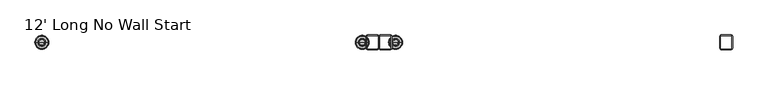
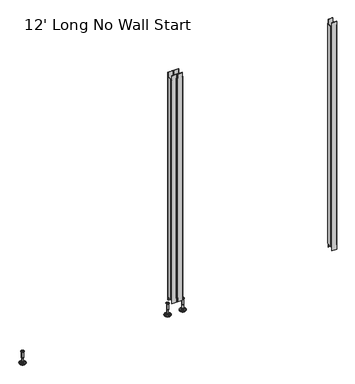
"""IFC4 building model written with IfcOpenShell, lengths in millimetres: furniture geometry, 12' Long No Wall Start."""

from ifc_helpers import new_model, si_unit, frame, origin, place, context, project, spatial, polyline, circle_curve, faceted_brep, source, transform, mapped, element, save
from ifc_brep_helpers import plane_surface, cylinder_surface, revolved_surface, advanced_brep


def furniture_12_long_no_wall_start_c7d2fa92(model_context):
    return source(origin(), model_context, "Body", "SolidModel", [
        advanced_brep(
        [(1161.8635677, 0.0, 101.6), (1170.8414891, 0.0, 101.6), (1152.8856463, 0.0, 101.6), (1147.7593278, 0.0, 0.0206943), (1175.9678076, 0.0, 0.0206943), (1161.8635677, 0.0, 0.0206943), (1142.881296, 0.0, 1.4194474), (1180.8458394, 0.0, 1.4194474), (1139.119381, 0.0, 4.7394056), (1184.6077544, 0.0, 4.7394056), (1138.0019314, 0.0, 7.5051905), (1185.725204, 0.0, 7.5051905), (1138.0019314, 0.0, 8.3065967), (1185.725204, 0.0, 8.3065967), (1138.8443346, 0.0, 9.8469348), (1184.8828008, 0.0, 9.8469348), (1139.9444772, 0.0, 10.8375077), (1183.7826582, 0.0, 10.8375077), (1147.2481724, 0.0, 12.7338946), (1176.478963, 0.0, 12.7338946), (1154.6663238, 0.0, 13.3828987), (1169.0608116, 0.0, 13.3828987), (1154.6663238, 0.0, 14.1772758), (1169.0608116, 0.0, 14.1772758), (1157.0631166, 0.0, 14.1772758), (1166.6640188, 0.0, 14.1772758), (1157.0631166, 0.0, 18.8098403), (1166.6640188, 0.0, 18.8098403), (1156.047264, 0.0, 19.8256929), (1167.6798714, 0.0, 19.8256929), (1156.047264, 0.0, 48.3056352), (1167.6798714, 0.0, 48.3056352), (1154.8237361, 0.0, 49.9293116), (1168.9033993, 0.0, 49.9293116), (1154.8237361, 0.0, 97.327223), (1168.9033993, 0.0, 97.327223), (1153.9426317, 0.0, 97.6479188), (1169.7845037, 0.0, 97.6479188), (1152.8936428, 0.0, 97.6479188), (1170.8334926, 0.0, 97.6479188), (1151.2286129, 0.0, 98.6092242), (1172.4985225, 0.0, 98.6092242), (1151.2286129, 0.0, 100.6043539), (1172.4985225, 0.0, 100.6043539)],
        [
            (0, 1),
            (1, 2, circle_curve(frame((1161.8635677, 0.0, 101.6), z_axis=(0.0, 0.0, 1.0), x_axis=(1.0, 0.0, 0.0)), 8.9779214)),
            (2, 0),
            (2, 1, circle_curve(frame((1161.8635677, 0.0, 101.6), z_axis=(0.0, 0.0, 1.0), x_axis=(1.0, 0.0, 0.0)), 8.9779214)),
            (3, 4, circle_curve(frame((1161.8635677, 0.0, 0.0206943), z_axis=(0.0, 0.0, -1.0), x_axis=(1.0, 0.0, 0.0)), 14.1042399)),
            (4, 5),
            (5, 3),
            (4, 3, circle_curve(frame((1161.8635677, 0.0, 0.0206943), z_axis=(0.0, 0.0, -1.0), x_axis=(1.0, 0.0, 0.0)), 14.1042399)),
            (6, 7, circle_curve(frame((1161.8635677, 0.0, 1.4194474), z_axis=(0.0, 0.0, -1.0), x_axis=(1.0, 0.0, 0.0)), 18.9822717)),
            (7, 4),
            (3, 6),
            (7, 6, circle_curve(frame((1161.8635677, 0.0, 1.4194474), z_axis=(0.0, 0.0, -1.0), x_axis=(1.0, 0.0, 0.0)), 18.9822717)),
            (8, 9, circle_curve(frame((1161.8635677, 0.0, 4.7394056), z_axis=(0.0, 0.0, -1.0), x_axis=(1.0, 0.0, 0.0)), 22.7441867)),
            (9, 7),
            (6, 8),
            (9, 8, circle_curve(frame((1161.8635677, 0.0, 4.7394056), z_axis=(0.0, 0.0, -1.0), x_axis=(1.0, 0.0, 0.0)), 22.7441867)),
            (10, 11, circle_curve(frame((1161.8635677, 0.0, 7.5051905), z_axis=(0.0, 0.0, -1.0), x_axis=(1.0, 0.0, 0.0)), 23.8616363)),
            (11, 9),
            (8, 10),
            (11, 10, circle_curve(frame((1161.8635677, 0.0, 7.5051905), z_axis=(0.0, 0.0, -1.0), x_axis=(1.0, 0.0, 0.0)), 23.8616363)),
            (12, 13, circle_curve(frame((1161.8635677, 0.0, 8.3065967), z_axis=(0.0, 0.0, -1.0), x_axis=(1.0, 0.0, 0.0)), 23.8616363)),
            (13, 11),
            (10, 12),
            (13, 12, circle_curve(frame((1161.8635677, 0.0, 8.3065967), z_axis=(0.0, 0.0, -1.0), x_axis=(1.0, 0.0, 0.0)), 23.8616363)),
            (14, 15, circle_curve(frame((1161.8635677, 0.0, 9.8469348), z_axis=(0.0, 0.0, -1.0), x_axis=(1.0, 0.0, 0.0)), 23.0192331)),
            (15, 13),
            (12, 14),
            (15, 14, circle_curve(frame((1161.8635677, 0.0, 9.8469348), z_axis=(0.0, 0.0, -1.0), x_axis=(1.0, 0.0, 0.0)), 23.0192331)),
            (16, 17, circle_curve(frame((1161.8635677, 0.0, 10.8375077), z_axis=(0.0, 0.0, -1.0), x_axis=(1.0, 0.0, 0.0)), 21.9190905)),
            (17, 15),
            (14, 16),
            (17, 16, circle_curve(frame((1161.8635677, 0.0, 10.8375077), z_axis=(0.0, 0.0, -1.0), x_axis=(1.0, 0.0, 0.0)), 21.9190905)),
            (18, 19, circle_curve(frame((1161.8635677, 0.0, 12.7338946), z_axis=(0.0, 0.0, -1.0), x_axis=(1.0, 0.0, 0.0)), 14.6153953)),
            (19, 17),
            (16, 18),
            (19, 18, circle_curve(frame((1161.8635677, 0.0, 12.7338946), z_axis=(0.0, 0.0, -1.0), x_axis=(1.0, 0.0, 0.0)), 14.6153953)),
            (20, 21, circle_curve(frame((1161.8635677, 0.0, 13.3828987), z_axis=(0.0, 0.0, -1.0), x_axis=(1.0, 0.0, 0.0)), 7.1972439)),
            (21, 19),
            (18, 20),
            (21, 20, circle_curve(frame((1161.8635677, 0.0, 13.3828987), z_axis=(0.0, 0.0, -1.0), x_axis=(1.0, 0.0, 0.0)), 7.1972439)),
            (22, 23, circle_curve(frame((1161.8635677, 0.0, 14.1772758), z_axis=(0.0, 0.0, -1.0), x_axis=(1.0, 0.0, 0.0)), 7.1972439)),
            (23, 21),
            (20, 22),
            (23, 22, circle_curve(frame((1161.8635677, 0.0, 14.1772758), z_axis=(0.0, 0.0, -1.0), x_axis=(1.0, 0.0, 0.0)), 7.1972439)),
            (24, 25, circle_curve(frame((1161.8635677, 0.0, 14.1772758), z_axis=(0.0, 0.0, -1.0), x_axis=(1.0, 0.0, 0.0)), 4.8004511)),
            (25, 23),
            (22, 24),
            (25, 24, circle_curve(frame((1161.8635677, 0.0, 14.1772758), z_axis=(0.0, 0.0, -1.0), x_axis=(1.0, 0.0, 0.0)), 4.8004511)),
            (26, 27, circle_curve(frame((1161.8635677, 0.0, 18.8098403), z_axis=(0.0, 0.0, -1.0), x_axis=(1.0, 0.0, 0.0)), 4.8004511)),
            (27, 25),
            (24, 26),
            (27, 26, circle_curve(frame((1161.8635677, 0.0, 18.8098403), z_axis=(0.0, 0.0, -1.0), x_axis=(1.0, 0.0, 0.0)), 4.8004511)),
            (28, 29, circle_curve(frame((1161.8635677, 0.0, 19.8256929), z_axis=(0.0, 0.0, -1.0), x_axis=(1.0, 0.0, 0.0)), 5.8163037)),
            (29, 27),
            (26, 28),
            (29, 28, circle_curve(frame((1161.8635677, 0.0, 19.8256929), z_axis=(0.0, 0.0, -1.0), x_axis=(1.0, 0.0, 0.0)), 5.8163037)),
            (30, 31, circle_curve(frame((1161.8635677, 0.0, 48.3056352), z_axis=(0.0, 0.0, -1.0), x_axis=(1.0, 0.0, 0.0)), 5.8163037)),
            (31, 29),
            (28, 30),
            (31, 30, circle_curve(frame((1161.8635677, 0.0, 48.3056352), z_axis=(0.0, 0.0, -1.0), x_axis=(1.0, 0.0, 0.0)), 5.8163037)),
            (32, 33, circle_curve(frame((1161.8635677, 0.0, 49.9293116), z_axis=(0.0, 0.0, -1.0), x_axis=(1.0, 0.0, 0.0)), 7.0398316)),
            (33, 31),
            (30, 32),
            (33, 32, circle_curve(frame((1161.8635677, 0.0, 49.9293116), z_axis=(0.0, 0.0, -1.0), x_axis=(1.0, 0.0, 0.0)), 7.0398316)),
            (34, 35, circle_curve(frame((1161.8635677, 0.0, 97.327223), z_axis=(0.0, 0.0, -1.0), x_axis=(1.0, 0.0, 0.0)), 7.0398316)),
            (35, 33),
            (32, 34),
            (35, 34, circle_curve(frame((1161.8635677, 0.0, 97.327223), z_axis=(0.0, 0.0, -1.0), x_axis=(1.0, 0.0, 0.0)), 7.0398316)),
            (36, 37, circle_curve(frame((1161.8635677, 0.0, 97.6479188), z_axis=(0.0, 0.0, -1.0), x_axis=(1.0, 0.0, 0.0)), 7.920936)),
            (37, 35),
            (34, 36),
            (37, 36, circle_curve(frame((1161.8635677, 0.0, 97.6479188), z_axis=(0.0, 0.0, -1.0), x_axis=(1.0, 0.0, 0.0)), 7.920936)),
            (38, 39, circle_curve(frame((1161.8635677, 0.0, 97.6479188), z_axis=(0.0, 0.0, -1.0), x_axis=(1.0, 0.0, 0.0)), 8.9699249)),
            (39, 37),
            (36, 38),
            (39, 38, circle_curve(frame((1161.8635677, 0.0, 97.6479188), z_axis=(0.0, 0.0, -1.0), x_axis=(1.0, 0.0, 0.0)), 8.9699249)),
            (40, 41, circle_curve(frame((1161.8635677, 0.0, 98.6092242), z_axis=(0.0, 0.0, -1.0), x_axis=(1.0, 0.0, 0.0)), 10.6349548)),
            (41, 39),
            (38, 40),
            (41, 40, circle_curve(frame((1161.8635677, 0.0, 98.6092242), z_axis=(0.0, 0.0, -1.0), x_axis=(1.0, 0.0, 0.0)), 10.6349548)),
            (42, 43, circle_curve(frame((1161.8635677, 0.0, 100.6043539), z_axis=(0.0, 0.0, -1.0), x_axis=(1.0, 0.0, 0.0)), 10.6349548)),
            (43, 41),
            (40, 42),
            (43, 42, circle_curve(frame((1161.8635677, 0.0, 100.6043539), z_axis=(0.0, 0.0, -1.0), x_axis=(1.0, 0.0, 0.0)), 10.6349548)),
            (1, 43),
            (42, 2),
        ],
        [
            plane_surface(frame((1161.8635677, 0.0, 101.6), z_axis=(0.0, 0.0, 1.0), x_axis=(1.0, 0.0, 0.0))),
            plane_surface(frame((1161.8635677, 0.0, 0.0206943), z_axis=(0.0, 0.0, -1.0), x_axis=(1.0, 0.0, 0.0))),
            revolved_surface(polyline([(1175.9678076, 0.0, 0.0206943), (1180.8458394, 0.0, 1.4194474)]), (1161.8635677, 0.0, 101.6), (0.0, 0.0, 1.0)),
            revolved_surface(polyline([(1180.8458394, 0.0, 1.4194474), (1184.6077544, 0.0, 4.7394056)]), (1161.8635677, 0.0, 101.6), (0.0, 0.0, 1.0)),
            revolved_surface(polyline([(1184.6077544, 0.0, 4.7394056), (1185.725204, 0.0, 7.5051905)]), (1161.8635677, 0.0, 101.6), (0.0, 0.0, 1.0)),
            cylinder_surface(frame((1161.8635677, 0.0, 101.6), z_axis=(0.0, 0.0, 1.0), x_axis=(1.0, 0.0, 0.0)), 23.8616363),
            revolved_surface(polyline([(1185.725204, 0.0, 8.3065967), (1184.8828008, 0.0, 9.8469348)]), (1161.8635677, 0.0, 101.6), (0.0, 0.0, 1.0)),
            revolved_surface(polyline([(1184.8828008, 0.0, 9.8469348), (1183.7826582, 0.0, 10.8375077)]), (1161.8635677, 0.0, 101.6), (0.0, 0.0, 1.0)),
            revolved_surface(polyline([(1183.7826582, 0.0, 10.8375077), (1176.478963, 0.0, 12.7338946)]), (1161.8635677, 0.0, 101.6), (0.0, 0.0, 1.0)),
            revolved_surface(polyline([(1176.478963, 0.0, 12.7338946), (1169.0608116, 0.0, 13.3828987)]), (1161.8635677, 0.0, 101.6), (0.0, 0.0, 1.0)),
            cylinder_surface(frame((1161.8635677, 0.0, 101.6), z_axis=(0.0, 0.0, 1.0), x_axis=(1.0, 0.0, 0.0)), 7.1972439),
            plane_surface(frame((1161.8635677, 0.0, 14.1772758), z_axis=(0.0, 0.0, 1.0), x_axis=(1.0, 0.0, 0.0))),
            cylinder_surface(frame((1161.8635677, 0.0, 101.6), z_axis=(0.0, 0.0, 1.0), x_axis=(1.0, 0.0, 0.0)), 4.8004511),
            revolved_surface(polyline([(1166.6640188, 0.0, 18.8098403), (1167.6798714, 0.0, 19.8256929)]), (1161.8635677, 0.0, 101.6), (0.0, 0.0, 1.0)),
            cylinder_surface(frame((1161.8635677, 0.0, 101.6), z_axis=(0.0, 0.0, 1.0), x_axis=(1.0, 0.0, 0.0)), 5.8163037),
            revolved_surface(polyline([(1167.6798714, 0.0, 48.3056352), (1168.9033993, 0.0, 49.9293116)]), (1161.8635677, 0.0, 101.6), (0.0, 0.0, 1.0)),
            cylinder_surface(frame((1161.8635677, 0.0, 101.6), z_axis=(0.0, 0.0, 1.0), x_axis=(1.0, 0.0, 0.0)), 7.0398316),
            revolved_surface(polyline([(1168.9033993, 0.0, 97.327223), (1169.7845037, 0.0, 97.6479188)]), (1161.8635677, 0.0, 101.6), (0.0, 0.0, 1.0)),
            plane_surface(frame((1161.8635677, 0.0, 97.6479188), z_axis=(0.0, 0.0, -1.0), x_axis=(1.0, 0.0, 0.0))),
            revolved_surface(polyline([(1170.8334926, 0.0, 97.6479188), (1172.4985225, 0.0, 98.6092242)]), (1161.8635677, 0.0, 101.6), (0.0, 0.0, 1.0)),
            cylinder_surface(frame((1161.8635677, 0.0, 101.6), z_axis=(0.0, 0.0, 1.0), x_axis=(1.0, 0.0, 0.0)), 10.6349548),
            revolved_surface(polyline([(1172.4985225, 0.0, 100.6043539), (1170.8414891, 0.0, 101.6)]), (1161.8635677, 0.0, 101.6), (0.0, 0.0, 1.0)),
        ],
        [
            (0, [[1, 2, 3]]),
            (0, [[-3, 4, -1]]),
            (1, [[5, 6, 7]]),
            (1, [[8, -7, -6]]),
            (2, [[9, 10, -5, 11]]),
            (2, [[12, -11, -8, -10]]),
            (3, [[13, 14, -9, 15]]),
            (3, [[16, -15, -12, -14]]),
            (4, [[17, 18, -13, 19]]),
            (4, [[20, -19, -16, -18]]),
            (5, [[21, 22, -17, 23]]),
            (5, [[24, -23, -20, -22]]),
            (6, [[25, 26, -21, 27]]),
            (6, [[28, -27, -24, -26]]),
            (7, [[29, 30, -25, 31]]),
            (7, [[32, -31, -28, -30]]),
            (8, [[33, 34, -29, 35]]),
            (8, [[36, -35, -32, -34]]),
            (9, [[37, 38, -33, 39]]),
            (9, [[40, -39, -36, -38]]),
            (10, [[41, 42, -37, 43]]),
            (10, [[44, -43, -40, -42]]),
            (11, [[45, 46, -41, 47]]),
            (11, [[48, -47, -44, -46]]),
            (12, [[49, 50, -45, 51]]),
            (12, [[52, -51, -48, -50]]),
            (13, [[53, 54, -49, 55]]),
            (13, [[56, -55, -52, -54]]),
            (14, [[57, 58, -53, 59]]),
            (14, [[60, -59, -56, -58]]),
            (15, [[61, 62, -57, 63]]),
            (15, [[64, -63, -60, -62]]),
            (16, [[65, 66, -61, 67]]),
            (16, [[68, -67, -64, -66]]),
            (17, [[69, 70, -65, 71]]),
            (17, [[72, -71, -68, -70]]),
            (18, [[73, 74, -69, 75]]),
            (18, [[76, -75, -72, -74]]),
            (19, [[77, 78, -73, 79]]),
            (19, [[80, -79, -76, -78]]),
            (20, [[81, 82, -77, 83]]),
            (20, [[84, -83, -80, -82]]),
            (21, [[-2, 85, -81, 86]]),
            (21, [[-4, -86, -84, -85]]),
        ],
    ),
        advanced_brep(
        [(1276.5364323, 0.0, 101.6), (1285.5143537, 0.0, 101.6), (1267.5585109, 0.0, 101.6), (1290.6406722, 0.0, 0.0206943), (1276.5364323, 0.0, 0.0206943), (1262.4321924, 0.0, 0.0206943), (1295.518704, 0.0, 1.4194474), (1257.5541606, 0.0, 1.4194474), (1299.280619, 0.0, 4.7394056), (1253.7922456, 0.0, 4.7394056), (1300.3980686, 0.0, 7.5051905), (1252.674796, 0.0, 7.5051905), (1300.3980686, 0.0, 8.3065967), (1252.674796, 0.0, 8.3065967), (1299.5556654, 0.0, 9.8469348), (1253.5171992, 0.0, 9.8469348), (1298.4555228, 0.0, 10.8375077), (1254.6173418, 0.0, 10.8375077), (1291.1518276, 0.0, 12.7338946), (1261.921037, 0.0, 12.7338946), (1283.7336762, 0.0, 13.3828987), (1269.3391884, 0.0, 13.3828987), (1283.7336762, 0.0, 14.1772758), (1269.3391884, 0.0, 14.1772758), (1281.3368834, 0.0, 14.1772758), (1271.7359812, 0.0, 14.1772758), (1281.3368834, 0.0, 18.8098403), (1271.7359812, 0.0, 18.8098403), (1282.352736, 0.0, 19.8256929), (1270.7201286, 0.0, 19.8256929), (1282.352736, 0.0, 48.3056352), (1270.7201286, 0.0, 48.3056352), (1283.5762639, 0.0, 49.9293116), (1269.4966007, 0.0, 49.9293116), (1283.5762639, 0.0, 97.327223), (1269.4966007, 0.0, 97.327223), (1284.4573683, 0.0, 97.6479188), (1268.6154963, 0.0, 97.6479188), (1285.5063572, 0.0, 97.6479188), (1267.5665074, 0.0, 97.6479188), (1287.1713871, 0.0, 98.6092242), (1265.9014775, 0.0, 98.6092242), (1287.1713871, 0.0, 100.6043539), (1265.9014775, 0.0, 100.6043539)],
        [
            (0, 1),
            (1, 2, circle_curve(frame((1276.5364323, 0.0, 101.6), z_axis=(0.0, 0.0, 1.0), x_axis=(-1.0, 0.0, 0.0)), 8.9779214)),
            (2, 0),
            (2, 1, circle_curve(frame((1276.5364323, 0.0, 101.6), z_axis=(0.0, 0.0, 1.0), x_axis=(-1.0, 0.0, 0.0)), 8.9779214)),
            (3, 4),
            (4, 5),
            (5, 3, circle_curve(frame((1276.5364323, 0.0, 0.0206943), z_axis=(0.0, 0.0, -1.0), x_axis=(-1.0, 0.0, 0.0)), 14.1042399)),
            (3, 5, circle_curve(frame((1276.5364323, 0.0, 0.0206943), z_axis=(0.0, 0.0, -1.0), x_axis=(-1.0, 0.0, 0.0)), 14.1042399)),
            (6, 3),
            (5, 7),
            (7, 6, circle_curve(frame((1276.5364323, 0.0, 1.4194474), z_axis=(0.0, 0.0, -1.0), x_axis=(-1.0, 0.0, 0.0)), 18.9822717)),
            (6, 7, circle_curve(frame((1276.5364323, 0.0, 1.4194474), z_axis=(0.0, 0.0, -1.0), x_axis=(-1.0, 0.0, 0.0)), 18.9822717)),
            (8, 6),
            (7, 9),
            (9, 8, circle_curve(frame((1276.5364323, 0.0, 4.7394056), z_axis=(0.0, 0.0, -1.0), x_axis=(-1.0, 0.0, 0.0)), 22.7441867)),
            (8, 9, circle_curve(frame((1276.5364323, 0.0, 4.7394056), z_axis=(0.0, 0.0, -1.0), x_axis=(-1.0, 0.0, 0.0)), 22.7441867)),
            (10, 8),
            (9, 11),
            (11, 10, circle_curve(frame((1276.5364323, 0.0, 7.5051905), z_axis=(0.0, 0.0, -1.0), x_axis=(-1.0, 0.0, 0.0)), 23.8616363)),
            (10, 11, circle_curve(frame((1276.5364323, 0.0, 7.5051905), z_axis=(0.0, 0.0, -1.0), x_axis=(-1.0, 0.0, 0.0)), 23.8616363)),
            (12, 10),
            (11, 13),
            (13, 12, circle_curve(frame((1276.5364323, 0.0, 8.3065967), z_axis=(0.0, 0.0, -1.0), x_axis=(-1.0, 0.0, 0.0)), 23.8616363)),
            (12, 13, circle_curve(frame((1276.5364323, 0.0, 8.3065967), z_axis=(0.0, 0.0, -1.0), x_axis=(-1.0, 0.0, 0.0)), 23.8616363)),
            (14, 12),
            (13, 15),
            (15, 14, circle_curve(frame((1276.5364323, 0.0, 9.8469348), z_axis=(0.0, 0.0, -1.0), x_axis=(-1.0, 0.0, 0.0)), 23.0192331)),
            (14, 15, circle_curve(frame((1276.5364323, 0.0, 9.8469348), z_axis=(0.0, 0.0, -1.0), x_axis=(-1.0, 0.0, 0.0)), 23.0192331)),
            (16, 14),
            (15, 17),
            (17, 16, circle_curve(frame((1276.5364323, 0.0, 10.8375077), z_axis=(0.0, 0.0, -1.0), x_axis=(-1.0, 0.0, 0.0)), 21.9190905)),
            (16, 17, circle_curve(frame((1276.5364323, 0.0, 10.8375077), z_axis=(0.0, 0.0, -1.0), x_axis=(-1.0, 0.0, 0.0)), 21.9190905)),
            (18, 16),
            (17, 19),
            (19, 18, circle_curve(frame((1276.5364323, 0.0, 12.7338946), z_axis=(0.0, 0.0, -1.0), x_axis=(-1.0, 0.0, 0.0)), 14.6153953)),
            (18, 19, circle_curve(frame((1276.5364323, 0.0, 12.7338946), z_axis=(0.0, 0.0, -1.0), x_axis=(-1.0, 0.0, 0.0)), 14.6153953)),
            (20, 18),
            (19, 21),
            (21, 20, circle_curve(frame((1276.5364323, 0.0, 13.3828987), z_axis=(0.0, 0.0, -1.0), x_axis=(-1.0, 0.0, 0.0)), 7.1972439)),
            (20, 21, circle_curve(frame((1276.5364323, 0.0, 13.3828987), z_axis=(0.0, 0.0, -1.0), x_axis=(-1.0, 0.0, 0.0)), 7.1972439)),
            (22, 20),
            (21, 23),
            (23, 22, circle_curve(frame((1276.5364323, 0.0, 14.1772758), z_axis=(0.0, 0.0, -1.0), x_axis=(-1.0, 0.0, 0.0)), 7.1972439)),
            (22, 23, circle_curve(frame((1276.5364323, 0.0, 14.1772758), z_axis=(0.0, 0.0, -1.0), x_axis=(-1.0, 0.0, 0.0)), 7.1972439)),
            (24, 22),
            (23, 25),
            (25, 24, circle_curve(frame((1276.5364323, 0.0, 14.1772758), z_axis=(0.0, 0.0, -1.0), x_axis=(-1.0, 0.0, 0.0)), 4.8004511)),
            (24, 25, circle_curve(frame((1276.5364323, 0.0, 14.1772758), z_axis=(0.0, 0.0, -1.0), x_axis=(-1.0, 0.0, 0.0)), 4.8004511)),
            (26, 24),
            (25, 27),
            (27, 26, circle_curve(frame((1276.5364323, 0.0, 18.8098403), z_axis=(0.0, 0.0, -1.0), x_axis=(-1.0, 0.0, 0.0)), 4.8004511)),
            (26, 27, circle_curve(frame((1276.5364323, 0.0, 18.8098403), z_axis=(0.0, 0.0, -1.0), x_axis=(-1.0, 0.0, 0.0)), 4.8004511)),
            (28, 26),
            (27, 29),
            (29, 28, circle_curve(frame((1276.5364323, 0.0, 19.8256929), z_axis=(0.0, 0.0, -1.0), x_axis=(-1.0, 0.0, 0.0)), 5.8163037)),
            (28, 29, circle_curve(frame((1276.5364323, 0.0, 19.8256929), z_axis=(0.0, 0.0, -1.0), x_axis=(-1.0, 0.0, 0.0)), 5.8163037)),
            (30, 28),
            (29, 31),
            (31, 30, circle_curve(frame((1276.5364323, 0.0, 48.3056352), z_axis=(0.0, 0.0, -1.0), x_axis=(-1.0, 0.0, 0.0)), 5.8163037)),
            (30, 31, circle_curve(frame((1276.5364323, 0.0, 48.3056352), z_axis=(0.0, 0.0, -1.0), x_axis=(-1.0, 0.0, 0.0)), 5.8163037)),
            (32, 30),
            (31, 33),
            (33, 32, circle_curve(frame((1276.5364323, 0.0, 49.9293116), z_axis=(0.0, 0.0, -1.0), x_axis=(-1.0, 0.0, 0.0)), 7.0398316)),
            (32, 33, circle_curve(frame((1276.5364323, 0.0, 49.9293116), z_axis=(0.0, 0.0, -1.0), x_axis=(-1.0, 0.0, 0.0)), 7.0398316)),
            (34, 32),
            (33, 35),
            (35, 34, circle_curve(frame((1276.5364323, 0.0, 97.327223), z_axis=(0.0, 0.0, -1.0), x_axis=(-1.0, 0.0, 0.0)), 7.0398316)),
            (34, 35, circle_curve(frame((1276.5364323, 0.0, 97.327223), z_axis=(0.0, 0.0, -1.0), x_axis=(-1.0, 0.0, 0.0)), 7.0398316)),
            (36, 34),
            (35, 37),
            (37, 36, circle_curve(frame((1276.5364323, 0.0, 97.6479188), z_axis=(0.0, 0.0, -1.0), x_axis=(-1.0, 0.0, 0.0)), 7.920936)),
            (36, 37, circle_curve(frame((1276.5364323, 0.0, 97.6479188), z_axis=(0.0, 0.0, -1.0), x_axis=(-1.0, 0.0, 0.0)), 7.920936)),
            (38, 36),
            (37, 39),
            (39, 38, circle_curve(frame((1276.5364323, 0.0, 97.6479188), z_axis=(0.0, 0.0, -1.0), x_axis=(-1.0, 0.0, 0.0)), 8.9699249)),
            (38, 39, circle_curve(frame((1276.5364323, 0.0, 97.6479188), z_axis=(0.0, 0.0, -1.0), x_axis=(-1.0, 0.0, 0.0)), 8.9699249)),
            (40, 38),
            (39, 41),
            (41, 40, circle_curve(frame((1276.5364323, 0.0, 98.6092242), z_axis=(0.0, 0.0, -1.0), x_axis=(-1.0, 0.0, 0.0)), 10.6349548)),
            (40, 41, circle_curve(frame((1276.5364323, 0.0, 98.6092242), z_axis=(0.0, 0.0, -1.0), x_axis=(-1.0, 0.0, 0.0)), 10.6349548)),
            (42, 40),
            (41, 43),
            (43, 42, circle_curve(frame((1276.5364323, 0.0, 100.6043539), z_axis=(0.0, 0.0, -1.0), x_axis=(-1.0, 0.0, 0.0)), 10.6349548)),
            (42, 43, circle_curve(frame((1276.5364323, 0.0, 100.6043539), z_axis=(0.0, 0.0, -1.0), x_axis=(-1.0, 0.0, 0.0)), 10.6349548)),
            (1, 42),
            (43, 2),
        ],
        [
            plane_surface(frame((1276.5364323, 0.0, 101.6), z_axis=(0.0, 0.0, 1.0), x_axis=(-1.0, 0.0, 0.0))),
            plane_surface(frame((1276.5364323, 0.0, 0.0206943), z_axis=(0.0, 0.0, -1.0), x_axis=(-1.0, 0.0, 0.0))),
            revolved_surface(polyline([(1262.4321924, 0.0, 0.0206943), (1257.5541606, 0.0, 1.4194474)]), (1276.5364323, 0.0, 101.6), (0.0, 0.0, 1.0)),
            revolved_surface(polyline([(1257.5541606, 0.0, 1.4194474), (1253.7922456, 0.0, 4.7394056)]), (1276.5364323, 0.0, 101.6), (0.0, 0.0, 1.0)),
            revolved_surface(polyline([(1253.7922456, 0.0, 4.7394056), (1252.674796, 0.0, 7.5051905)]), (1276.5364323, 0.0, 101.6), (0.0, 0.0, 1.0)),
            cylinder_surface(frame((1276.5364323, 0.0, 101.6), z_axis=(0.0, 0.0, 1.0), x_axis=(-1.0, 0.0, 0.0)), 23.8616363),
            revolved_surface(polyline([(1252.674796, 0.0, 8.3065967), (1253.5171992, 0.0, 9.8469348)]), (1276.5364323, 0.0, 101.6), (0.0, 0.0, 1.0)),
            revolved_surface(polyline([(1253.5171992, 0.0, 9.8469348), (1254.6173418, 0.0, 10.8375077)]), (1276.5364323, 0.0, 101.6), (0.0, 0.0, 1.0)),
            revolved_surface(polyline([(1254.6173418, 0.0, 10.8375077), (1261.921037, 0.0, 12.7338946)]), (1276.5364323, 0.0, 101.6), (0.0, 0.0, 1.0)),
            revolved_surface(polyline([(1261.921037, 0.0, 12.7338946), (1269.3391884, 0.0, 13.3828987)]), (1276.5364323, 0.0, 101.6), (0.0, 0.0, 1.0)),
            cylinder_surface(frame((1276.5364323, 0.0, 101.6), z_axis=(0.0, 0.0, 1.0), x_axis=(-1.0, 0.0, 0.0)), 7.1972439),
            plane_surface(frame((1276.5364323, 0.0, 14.1772758), z_axis=(0.0, 0.0, 1.0), x_axis=(-1.0, 0.0, 0.0))),
            cylinder_surface(frame((1276.5364323, 0.0, 101.6), z_axis=(0.0, 0.0, 1.0), x_axis=(-1.0, 0.0, 0.0)), 4.8004511),
            revolved_surface(polyline([(1271.7359812, 0.0, 18.8098403), (1270.7201286, 0.0, 19.8256929)]), (1276.5364323, 0.0, 101.6), (0.0, 0.0, 1.0)),
            cylinder_surface(frame((1276.5364323, 0.0, 101.6), z_axis=(0.0, 0.0, 1.0), x_axis=(-1.0, 0.0, 0.0)), 5.8163037),
            revolved_surface(polyline([(1270.7201286, 0.0, 48.3056352), (1269.4966007, 0.0, 49.9293116)]), (1276.5364323, 0.0, 101.6), (0.0, 0.0, 1.0)),
            cylinder_surface(frame((1276.5364323, 0.0, 101.6), z_axis=(0.0, 0.0, 1.0), x_axis=(-1.0, 0.0, 0.0)), 7.0398316),
            revolved_surface(polyline([(1269.4966007, 0.0, 97.327223), (1268.6154963, 0.0, 97.6479188)]), (1276.5364323, 0.0, 101.6), (0.0, 0.0, 1.0)),
            plane_surface(frame((1276.5364323, 0.0, 97.6479188), z_axis=(0.0, 0.0, -1.0), x_axis=(-1.0, 0.0, 0.0))),
            revolved_surface(polyline([(1267.5665074, 0.0, 97.6479188), (1265.9014775, 0.0, 98.6092242)]), (1276.5364323, 0.0, 101.6), (0.0, 0.0, 1.0)),
            cylinder_surface(frame((1276.5364323, 0.0, 101.6), z_axis=(0.0, 0.0, 1.0), x_axis=(-1.0, 0.0, 0.0)), 10.6349548),
            revolved_surface(polyline([(1265.9014775, 0.0, 100.6043539), (1267.5585109, 0.0, 101.6)]), (1276.5364323, 0.0, 101.6), (0.0, 0.0, 1.0)),
        ],
        [
            (0, [[1, 2, 3]]),
            (0, [[-3, 4, -1]]),
            (1, [[5, 6, 7]]),
            (1, [[-6, -5, 8]]),
            (2, [[9, -7, 10, 11]]),
            (2, [[-10, -8, -9, 12]]),
            (3, [[13, -11, 14, 15]]),
            (3, [[-14, -12, -13, 16]]),
            (4, [[17, -15, 18, 19]]),
            (4, [[-18, -16, -17, 20]]),
            (5, [[21, -19, 22, 23]]),
            (5, [[-22, -20, -21, 24]]),
            (6, [[25, -23, 26, 27]]),
            (6, [[-26, -24, -25, 28]]),
            (7, [[29, -27, 30, 31]]),
            (7, [[-30, -28, -29, 32]]),
            (8, [[33, -31, 34, 35]]),
            (8, [[-34, -32, -33, 36]]),
            (9, [[37, -35, 38, 39]]),
            (9, [[-38, -36, -37, 40]]),
            (10, [[41, -39, 42, 43]]),
            (10, [[-42, -40, -41, 44]]),
            (11, [[45, -43, 46, 47]]),
            (11, [[-46, -44, -45, 48]]),
            (12, [[49, -47, 50, 51]]),
            (12, [[-50, -48, -49, 52]]),
            (13, [[53, -51, 54, 55]]),
            (13, [[-54, -52, -53, 56]]),
            (14, [[57, -55, 58, 59]]),
            (14, [[-58, -56, -57, 60]]),
            (15, [[61, -59, 62, 63]]),
            (15, [[-62, -60, -61, 64]]),
            (16, [[65, -63, 66, 67]]),
            (16, [[-66, -64, -65, 68]]),
            (17, [[69, -67, 70, 71]]),
            (17, [[-70, -68, -69, 72]]),
            (18, [[73, -71, 74, 75]]),
            (18, [[-74, -72, -73, 76]]),
            (19, [[77, -75, 78, 79]]),
            (19, [[-78, -76, -77, 80]]),
            (20, [[81, -79, 82, 83]]),
            (20, [[-82, -80, -81, 84]]),
            (21, [[85, -83, 86, -2]]),
            (21, [[-86, -84, -85, -4]]),
        ],
    ),
        advanced_brep(
        [(57.0627865, 0.0, 101.6), (66.0407079, 0.0, 101.6), (48.084865, 0.0, 101.6), (42.9585465, 0.0, 0.0206943), (71.1670264, 0.0, 0.0206943), (57.0627865, 0.0, 0.0206943), (38.0805148, 0.0, 1.4194474), (76.0450581, 0.0, 1.4194474), (34.3185997, 0.0, 4.7394056), (79.8069732, 0.0, 4.7394056), (33.2011501, 0.0, 7.5051905), (80.9244228, 0.0, 7.5051905), (33.2011501, 0.0, 8.3065967), (80.9244228, 0.0, 8.3065967), (34.0435533, 0.0, 9.8469348), (80.0820196, 0.0, 9.8469348), (35.143696, 0.0, 10.8375077), (78.9818769, 0.0, 10.8375077), (42.4473912, 0.0, 12.7338946), (71.6781817, 0.0, 12.7338946), (49.8655426, 0.0, 13.3828987), (64.2600304, 0.0, 13.3828987), (49.8655426, 0.0, 14.1772758), (64.2600304, 0.0, 14.1772758), (52.2623354, 0.0, 14.1772758), (61.8632375, 0.0, 14.1772758), (52.2623354, 0.0, 18.8098403), (61.8632375, 0.0, 18.8098403), (51.2464827, 0.0, 19.8256929), (62.8790902, 0.0, 19.8256929), (51.2464827, 0.0, 48.3056352), (62.8790902, 0.0, 48.3056352), (50.0229548, 0.0, 49.9293116), (64.1026181, 0.0, 49.9293116), (50.0229548, 0.0, 97.327223), (64.1026181, 0.0, 97.327223), (49.1418505, 0.0, 97.6479188), (64.9837224, 0.0, 97.6479188), (48.0928615, 0.0, 97.6479188), (66.0327114, 0.0, 97.6479188), (46.4278316, 0.0, 98.6092242), (67.6977413, 0.0, 98.6092242), (46.4278316, 0.0, 100.6043539), (67.6977413, 0.0, 100.6043539)],
        [
            (0, 1),
            (1, 2, circle_curve(frame((57.0627865, 0.0, 101.6), z_axis=(0.0, 0.0, 1.0), x_axis=(1.0, 0.0, 0.0)), 8.9779214)),
            (2, 0),
            (2, 1, circle_curve(frame((57.0627865, 0.0, 101.6), z_axis=(0.0, 0.0, 1.0), x_axis=(1.0, 0.0, 0.0)), 8.9779214)),
            (3, 4, circle_curve(frame((57.0627865, 0.0, 0.0206943), z_axis=(0.0, 0.0, -1.0), x_axis=(1.0, 0.0, 0.0)), 14.1042399)),
            (4, 5),
            (5, 3),
            (4, 3, circle_curve(frame((57.0627865, 0.0, 0.0206943), z_axis=(0.0, 0.0, -1.0), x_axis=(1.0, 0.0, 0.0)), 14.1042399)),
            (6, 7, circle_curve(frame((57.0627865, 0.0, 1.4194474), z_axis=(0.0, 0.0, -1.0), x_axis=(1.0, 0.0, 0.0)), 18.9822717)),
            (7, 4),
            (3, 6),
            (7, 6, circle_curve(frame((57.0627865, 0.0, 1.4194474), z_axis=(0.0, 0.0, -1.0), x_axis=(1.0, 0.0, 0.0)), 18.9822717)),
            (8, 9, circle_curve(frame((57.0627865, 0.0, 4.7394056), z_axis=(0.0, 0.0, -1.0), x_axis=(1.0, 0.0, 0.0)), 22.7441867)),
            (9, 7),
            (6, 8),
            (9, 8, circle_curve(frame((57.0627865, 0.0, 4.7394056), z_axis=(0.0, 0.0, -1.0), x_axis=(1.0, 0.0, 0.0)), 22.7441867)),
            (10, 11, circle_curve(frame((57.0627865, 0.0, 7.5051905), z_axis=(0.0, 0.0, -1.0), x_axis=(1.0, 0.0, 0.0)), 23.8616363)),
            (11, 9),
            (8, 10),
            (11, 10, circle_curve(frame((57.0627865, 0.0, 7.5051905), z_axis=(0.0, 0.0, -1.0), x_axis=(1.0, 0.0, 0.0)), 23.8616363)),
            (12, 13, circle_curve(frame((57.0627865, 0.0, 8.3065967), z_axis=(0.0, 0.0, -1.0), x_axis=(1.0, 0.0, 0.0)), 23.8616363)),
            (13, 11),
            (10, 12),
            (13, 12, circle_curve(frame((57.0627865, 0.0, 8.3065967), z_axis=(0.0, 0.0, -1.0), x_axis=(1.0, 0.0, 0.0)), 23.8616363)),
            (14, 15, circle_curve(frame((57.0627865, 0.0, 9.8469348), z_axis=(0.0, 0.0, -1.0), x_axis=(1.0, 0.0, 0.0)), 23.0192331)),
            (15, 13),
            (12, 14),
            (15, 14, circle_curve(frame((57.0627865, 0.0, 9.8469348), z_axis=(0.0, 0.0, -1.0), x_axis=(1.0, 0.0, 0.0)), 23.0192331)),
            (16, 17, circle_curve(frame((57.0627865, 0.0, 10.8375077), z_axis=(0.0, 0.0, -1.0), x_axis=(1.0, 0.0, 0.0)), 21.9190905)),
            (17, 15),
            (14, 16),
            (17, 16, circle_curve(frame((57.0627865, 0.0, 10.8375077), z_axis=(0.0, 0.0, -1.0), x_axis=(1.0, 0.0, 0.0)), 21.9190905)),
            (18, 19, circle_curve(frame((57.0627865, 0.0, 12.7338946), z_axis=(0.0, 0.0, -1.0), x_axis=(1.0, 0.0, 0.0)), 14.6153953)),
            (19, 17),
            (16, 18),
            (19, 18, circle_curve(frame((57.0627865, 0.0, 12.7338946), z_axis=(0.0, 0.0, -1.0), x_axis=(1.0, 0.0, 0.0)), 14.6153953)),
            (20, 21, circle_curve(frame((57.0627865, 0.0, 13.3828987), z_axis=(0.0, 0.0, -1.0), x_axis=(1.0, 0.0, 0.0)), 7.1972439)),
            (21, 19),
            (18, 20),
            (21, 20, circle_curve(frame((57.0627865, 0.0, 13.3828987), z_axis=(0.0, 0.0, -1.0), x_axis=(1.0, 0.0, 0.0)), 7.1972439)),
            (22, 23, circle_curve(frame((57.0627865, 0.0, 14.1772758), z_axis=(0.0, 0.0, -1.0), x_axis=(1.0, 0.0, 0.0)), 7.1972439)),
            (23, 21),
            (20, 22),
            (23, 22, circle_curve(frame((57.0627865, 0.0, 14.1772758), z_axis=(0.0, 0.0, -1.0), x_axis=(1.0, 0.0, 0.0)), 7.1972439)),
            (24, 25, circle_curve(frame((57.0627865, 0.0, 14.1772758), z_axis=(0.0, 0.0, -1.0), x_axis=(1.0, 0.0, 0.0)), 4.8004511)),
            (25, 23),
            (22, 24),
            (25, 24, circle_curve(frame((57.0627865, 0.0, 14.1772758), z_axis=(0.0, 0.0, -1.0), x_axis=(1.0, 0.0, 0.0)), 4.8004511)),
            (26, 27, circle_curve(frame((57.0627865, 0.0, 18.8098403), z_axis=(0.0, 0.0, -1.0), x_axis=(1.0, 0.0, 0.0)), 4.8004511)),
            (27, 25),
            (24, 26),
            (27, 26, circle_curve(frame((57.0627865, 0.0, 18.8098403), z_axis=(0.0, 0.0, -1.0), x_axis=(1.0, 0.0, 0.0)), 4.8004511)),
            (28, 29, circle_curve(frame((57.0627865, 0.0, 19.8256929), z_axis=(0.0, 0.0, -1.0), x_axis=(1.0, 0.0, 0.0)), 5.8163037)),
            (29, 27),
            (26, 28),
            (29, 28, circle_curve(frame((57.0627865, 0.0, 19.8256929), z_axis=(0.0, 0.0, -1.0), x_axis=(1.0, 0.0, 0.0)), 5.8163037)),
            (30, 31, circle_curve(frame((57.0627865, 0.0, 48.3056352), z_axis=(0.0, 0.0, -1.0), x_axis=(1.0, 0.0, 0.0)), 5.8163037)),
            (31, 29),
            (28, 30),
            (31, 30, circle_curve(frame((57.0627865, 0.0, 48.3056352), z_axis=(0.0, 0.0, -1.0), x_axis=(1.0, 0.0, 0.0)), 5.8163037)),
            (32, 33, circle_curve(frame((57.0627865, 0.0, 49.9293116), z_axis=(0.0, 0.0, -1.0), x_axis=(1.0, 0.0, 0.0)), 7.0398316)),
            (33, 31),
            (30, 32),
            (33, 32, circle_curve(frame((57.0627865, 0.0, 49.9293116), z_axis=(0.0, 0.0, -1.0), x_axis=(1.0, 0.0, 0.0)), 7.0398316)),
            (34, 35, circle_curve(frame((57.0627865, 0.0, 97.327223), z_axis=(0.0, 0.0, -1.0), x_axis=(1.0, 0.0, 0.0)), 7.0398316)),
            (35, 33),
            (32, 34),
            (35, 34, circle_curve(frame((57.0627865, 0.0, 97.327223), z_axis=(0.0, 0.0, -1.0), x_axis=(1.0, 0.0, 0.0)), 7.0398316)),
            (36, 37, circle_curve(frame((57.0627865, 0.0, 97.6479188), z_axis=(0.0, 0.0, -1.0), x_axis=(1.0, 0.0, 0.0)), 7.920936)),
            (37, 35),
            (34, 36),
            (37, 36, circle_curve(frame((57.0627865, 0.0, 97.6479188), z_axis=(0.0, 0.0, -1.0), x_axis=(1.0, 0.0, 0.0)), 7.920936)),
            (38, 39, circle_curve(frame((57.0627865, 0.0, 97.6479188), z_axis=(0.0, 0.0, -1.0), x_axis=(1.0, 0.0, 0.0)), 8.9699249)),
            (39, 37),
            (36, 38),
            (39, 38, circle_curve(frame((57.0627865, 0.0, 97.6479188), z_axis=(0.0, 0.0, -1.0), x_axis=(1.0, 0.0, 0.0)), 8.9699249)),
            (40, 41, circle_curve(frame((57.0627865, 0.0, 98.6092242), z_axis=(0.0, 0.0, -1.0), x_axis=(1.0, 0.0, 0.0)), 10.6349548)),
            (41, 39),
            (38, 40),
            (41, 40, circle_curve(frame((57.0627865, 0.0, 98.6092242), z_axis=(0.0, 0.0, -1.0), x_axis=(1.0, 0.0, 0.0)), 10.6349548)),
            (42, 43, circle_curve(frame((57.0627865, 0.0, 100.6043539), z_axis=(0.0, 0.0, -1.0), x_axis=(1.0, 0.0, 0.0)), 10.6349548)),
            (43, 41),
            (40, 42),
            (43, 42, circle_curve(frame((57.0627865, 0.0, 100.6043539), z_axis=(0.0, 0.0, -1.0), x_axis=(1.0, 0.0, 0.0)), 10.6349548)),
            (1, 43),
            (42, 2),
        ],
        [
            plane_surface(frame((57.0627865, 0.0, 101.6), z_axis=(0.0, 0.0, 1.0), x_axis=(1.0, 0.0, 0.0))),
            plane_surface(frame((57.0627865, 0.0, 0.0206943), z_axis=(0.0, 0.0, -1.0), x_axis=(1.0, 0.0, 0.0))),
            revolved_surface(polyline([(71.1670264, 0.0, 0.0206943), (76.0450581, 0.0, 1.4194474)]), (57.0627865, 0.0, 101.6), (0.0, 0.0, 1.0)),
            revolved_surface(polyline([(76.0450581, 0.0, 1.4194474), (79.8069732, 0.0, 4.7394056)]), (57.0627865, 0.0, 101.6), (0.0, 0.0, 1.0)),
            revolved_surface(polyline([(79.8069732, 0.0, 4.7394056), (80.9244228, 0.0, 7.5051905)]), (57.0627865, 0.0, 101.6), (0.0, 0.0, 1.0)),
            cylinder_surface(frame((57.0627865, 0.0, 101.6), z_axis=(0.0, 0.0, 1.0), x_axis=(1.0, 0.0, 0.0)), 23.8616363),
            revolved_surface(polyline([(80.9244228, 0.0, 8.3065967), (80.0820196, 0.0, 9.8469348)]), (57.0627865, 0.0, 101.6), (0.0, 0.0, 1.0)),
            revolved_surface(polyline([(80.0820196, 0.0, 9.8469348), (78.9818769, 0.0, 10.8375077)]), (57.0627865, 0.0, 101.6), (0.0, 0.0, 1.0)),
            revolved_surface(polyline([(78.9818769, 0.0, 10.8375077), (71.6781817, 0.0, 12.7338946)]), (57.0627865, 0.0, 101.6), (0.0, 0.0, 1.0)),
            revolved_surface(polyline([(71.6781817, 0.0, 12.7338946), (64.2600304, 0.0, 13.3828987)]), (57.0627865, 0.0, 101.6), (0.0, 0.0, 1.0)),
            cylinder_surface(frame((57.0627865, 0.0, 101.6), z_axis=(0.0, 0.0, 1.0), x_axis=(1.0, 0.0, 0.0)), 7.1972439),
            plane_surface(frame((57.0627865, 0.0, 14.1772758), z_axis=(0.0, 0.0, 1.0), x_axis=(1.0, 0.0, 0.0))),
            cylinder_surface(frame((57.0627865, 0.0, 101.6), z_axis=(0.0, 0.0, 1.0), x_axis=(1.0, 0.0, 0.0)), 4.8004511),
            revolved_surface(polyline([(61.8632375, 0.0, 18.8098403), (62.8790902, 0.0, 19.8256929)]), (57.0627865, 0.0, 101.6), (0.0, 0.0, 1.0)),
            cylinder_surface(frame((57.0627865, 0.0, 101.6), z_axis=(0.0, 0.0, 1.0), x_axis=(1.0, 0.0, 0.0)), 5.8163037),
            revolved_surface(polyline([(62.8790902, 0.0, 48.3056352), (64.1026181, 0.0, 49.9293116)]), (57.0627865, 0.0, 101.6), (0.0, 0.0, 1.0)),
            cylinder_surface(frame((57.0627865, 0.0, 101.6), z_axis=(0.0, 0.0, 1.0), x_axis=(1.0, 0.0, 0.0)), 7.0398316),
            revolved_surface(polyline([(64.1026181, 0.0, 97.327223), (64.9837224, 0.0, 97.6479188)]), (57.0627865, 0.0, 101.6), (0.0, 0.0, 1.0)),
            plane_surface(frame((57.0627865, 0.0, 97.6479188), z_axis=(0.0, 0.0, -1.0), x_axis=(1.0, 0.0, 0.0))),
            revolved_surface(polyline([(66.0327114, 0.0, 97.6479188), (67.6977413, 0.0, 98.6092242)]), (57.0627865, 0.0, 101.6), (0.0, 0.0, 1.0)),
            cylinder_surface(frame((57.0627865, 0.0, 101.6), z_axis=(0.0, 0.0, 1.0), x_axis=(1.0, 0.0, 0.0)), 10.6349548),
            revolved_surface(polyline([(67.6977413, 0.0, 100.6043539), (66.0407079, 0.0, 101.6)]), (57.0627865, 0.0, 101.6), (0.0, 0.0, 1.0)),
        ],
        [
            (0, [[1, 2, 3]]),
            (0, [[-3, 4, -1]]),
            (1, [[5, 6, 7]]),
            (1, [[8, -7, -6]]),
            (2, [[9, 10, -5, 11]]),
            (2, [[12, -11, -8, -10]]),
            (3, [[13, 14, -9, 15]]),
            (3, [[16, -15, -12, -14]]),
            (4, [[17, 18, -13, 19]]),
            (4, [[20, -19, -16, -18]]),
            (5, [[21, 22, -17, 23]]),
            (5, [[24, -23, -20, -22]]),
            (6, [[25, 26, -21, 27]]),
            (6, [[28, -27, -24, -26]]),
            (7, [[29, 30, -25, 31]]),
            (7, [[32, -31, -28, -30]]),
            (8, [[33, 34, -29, 35]]),
            (8, [[36, -35, -32, -34]]),
            (9, [[37, 38, -33, 39]]),
            (9, [[40, -39, -36, -38]]),
            (10, [[41, 42, -37, 43]]),
            (10, [[44, -43, -40, -42]]),
            (11, [[45, 46, -41, 47]]),
            (11, [[48, -47, -44, -46]]),
            (12, [[49, 50, -45, 51]]),
            (12, [[52, -51, -48, -50]]),
            (13, [[53, 54, -49, 55]]),
            (13, [[56, -55, -52, -54]]),
            (14, [[57, 58, -53, 59]]),
            (14, [[60, -59, -56, -58]]),
            (15, [[61, 62, -57, 63]]),
            (15, [[64, -63, -60, -62]]),
            (16, [[65, 66, -61, 67]]),
            (16, [[68, -67, -64, -66]]),
            (17, [[69, 70, -65, 71]]),
            (17, [[72, -71, -68, -70]]),
            (18, [[73, 74, -69, 75]]),
            (18, [[76, -75, -72, -74]]),
            (19, [[77, 78, -73, 79]]),
            (19, [[80, -79, -76, -78]]),
            (20, [[81, 82, -77, 83]]),
            (20, [[84, -83, -80, -82]]),
            (21, [[-2, 85, -81, 86]]),
            (21, [[-4, -86, -84, -85]]),
        ],
    ),
        faceted_brep([(1223.6958, 25.4, 1937.6408515), (1223.6958, 23.1181008, 1937.6408515), (1224.1151471, 23.2918, 1937.6408515), (1258.7348529, 23.2918, 1937.6408515), (1259.1542, 23.1181008, 1937.6408515), (1259.1542, 25.4, 1937.6408515), (1259.1542, -25.4, 1937.6408515), (1259.1542, -23.1181008, 1937.6408515), (1258.7348529, -23.2918, 1937.6408515), (1224.1151471, -23.2918, 1937.6408515), (1223.6958, -23.1181008, 1937.6408515), (1223.6958, -25.4, 1937.6408515), (1223.6958, -25.4, 104.7768515), (1223.6958, -23.1181008, 104.7768515), (1224.1151471, -23.2918, 104.7768515), (1258.7348529, -23.2918, 104.7768515), (1259.1542, -23.1181008, 104.7768515), (1259.1542, -25.4, 104.7768515), (1259.1542, 25.4, 104.7768515), (1259.1542, 23.1181008, 104.7768515), (1258.7348529, 23.2918, 104.7768515), (1224.1151471, 23.2918, 104.7768515), (1223.6958, 23.1181008, 104.7768515), (1223.6958, 25.4, 104.7768515), (1263.65, -20.9042, 1905.6368515), (1263.65, -20.9042, 136.7808515), (1263.65, 20.9042, 136.7808515), (1263.65, 20.9042, 1905.6368515), (1223.6958, -25.4, 1905.6368515), (1223.6958, -25.4, 136.7808515), (1259.1542, -25.4, 136.7808515), (1259.1542, -25.4, 1905.6368515), (1219.2, -20.9042, 136.7808515), (1219.2, -20.9042, 1905.6368515), (1219.2, 20.9042, 1905.6368515), (1219.2, 20.9042, 136.7808515), (1259.1542, 25.4, 1905.6368515), (1259.1542, 25.4, 136.7808515), (1223.6958, 25.4, 136.7808515), (1223.6958, 25.4, 1905.6368515), (1262.3332107, 24.0832107, 1905.6368515), (1262.3332107, 24.0832107, 136.7808515), (1262.3332107, -24.0832107, 1905.6368515), (1262.3332107, -24.0832107, 136.7808515), (1220.5167893, -24.0832107, 1905.6368515), (1220.5167893, -24.0832107, 136.7808515), (1220.5167893, 24.0832107, 1905.6368515), (1220.5167893, 24.0832107, 136.7808515), (1261.5418, 20.4848529, 1905.6368515), (1261.5418, 20.4848529, 136.7808515), (1261.5418, -20.4848529, 136.7808515), (1261.5418, -20.4848529, 1905.6368515), (1260.7196642, 22.4696642, 1905.6368515), (1260.7196642, 22.4696642, 136.7808515), (1259.1542, 23.1181008, 136.7808515), (1259.1542, 23.1181008, 1905.6368515), (1223.6958, 23.1181008, 1905.6368515), (1222.1303358, 22.4696642, 1905.6368515), (1222.1303358, 22.4696642, 136.7808515), (1223.6958, 23.1181008, 136.7808515), (1221.3082, 20.4848529, 1905.6368515), (1221.3082, 20.4848529, 136.7808515), (1221.3082, -20.4848529, 1905.6368515), (1221.3082, -20.4848529, 136.7808515), (1222.1303358, -22.4696642, 1905.6368515), (1222.1303358, -22.4696642, 136.7808515), (1223.6958, -23.1181008, 136.7808515), (1223.6958, -23.1181008, 1905.6368515), (1259.1542, -23.1181008, 1905.6368515), (1260.7196642, -22.4696642, 1905.6368515), (1260.7196642, -22.4696642, 136.7808515), (1259.1542, -23.1181008, 136.7808515)], [[[0, 1, 2, 3, 4, 5]], [[6, 7, 8, 9, 10, 11]], [[12, 13, 14, 15, 16, 17]], [[18, 19, 20, 21, 22, 23]], [[24, 25, 26, 27]], [[11, 28, 29, 12, 17, 30, 31, 6]], [[32, 33, 34, 35]], [[5, 36, 37, 18, 23, 38, 39, 0]], [[40, 41, 37, 36]], [[27, 26, 41, 40]], [[42, 43, 25, 24]], [[31, 30, 43, 42]], [[29, 28, 44, 45]], [[45, 44, 33, 32]], [[35, 34, 46, 47]], [[47, 46, 39, 38]], [[48, 49, 50, 51]], [[52, 53, 49, 48]], [[20, 19, 54, 53, 52, 55, 4, 3]], [[2, 21, 20, 3]], [[2, 1, 56, 57, 58, 59, 22, 21]], [[58, 57, 60, 61]], [[61, 60, 62, 63]], [[63, 62, 64, 65]], [[14, 13, 66, 65, 64, 67, 10, 9]], [[8, 15, 14, 9]], [[8, 7, 68, 69, 70, 71, 16, 15]], [[51, 50, 70, 69]], [[55, 52, 48, 51, 69, 68, 31, 42, 24, 27, 40, 36]], [[36, 5, 4, 55]], [[68, 7, 6, 31]], [[37, 41, 26, 25, 43, 30, 71, 70, 50, 49, 53, 54]], [[30, 17, 16, 71]], [[54, 19, 18, 37]], [[59, 58, 61, 63, 65, 66, 29, 45, 32, 35, 47, 38]], [[38, 23, 22, 59]], [[66, 13, 12, 29]], [[39, 46, 34, 33, 44, 28, 67, 64, 62, 60, 57, 56]], [[28, 11, 10, 67]], [[56, 1, 0, 39]]]),
        faceted_brep([(1179.2458, 25.4, 1937.6408515), (1179.2458, 23.1181008, 1937.6408515), (1179.6651471, 23.2918, 1937.6408515), (1214.2848529, 23.2918, 1937.6408515), (1214.7042, 23.1181008, 1937.6408515), (1214.7042, 25.4, 1937.6408515), (1214.7042, -25.4, 1937.6408515), (1214.7042, -23.1181008, 1937.6408515), (1214.2848529, -23.2918, 1937.6408515), (1179.6651471, -23.2918, 1937.6408515), (1179.2458, -23.1181008, 1937.6408515), (1179.2458, -25.4, 1937.6408515), (1179.2458, -25.4, 104.7768515), (1179.2458, -23.1181008, 104.7768515), (1179.6651471, -23.2918, 104.7768515), (1214.2848529, -23.2918, 104.7768515), (1214.7042, -23.1181008, 104.7768515), (1214.7042, -25.4, 104.7768515), (1214.7042, 25.4, 104.7768515), (1214.7042, 23.1181008, 104.7768515), (1214.2848529, 23.2918, 104.7768515), (1179.6651471, 23.2918, 104.7768515), (1179.2458, 23.1181008, 104.7768515), (1179.2458, 25.4, 104.7768515), (1174.75, 20.9042, 1905.6368515), (1174.75, 20.9042, 136.7808515), (1174.75, -20.9042, 136.7808515), (1174.75, -20.9042, 1905.6368515), (1179.2458, -25.4, 1905.6368515), (1179.2458, -25.4, 136.7808515), (1214.7042, -25.4, 136.7808515), (1214.7042, -25.4, 1905.6368515), (1219.2, -20.9042, 1905.6368515), (1219.2, -20.9042, 136.7808515), (1219.2, 20.9042, 136.7808515), (1219.2, 20.9042, 1905.6368515), (1214.7042, 25.4, 1905.6368515), (1214.7042, 25.4, 136.7808515), (1179.2458, 25.4, 136.7808515), (1179.2458, 25.4, 1905.6368515), (1176.0667893, 24.0832107, 136.7808515), (1176.0667893, 24.0832107, 1905.6368515), (1176.0667893, -24.0832107, 136.7808515), (1176.0667893, -24.0832107, 1905.6368515), (1217.8832107, -24.0832107, 136.7808515), (1217.8832107, -24.0832107, 1905.6368515), (1217.8832107, 24.0832107, 136.7808515), (1217.8832107, 24.0832107, 1905.6368515), (1176.8582, -20.4848529, 1905.6368515), (1176.8582, -20.4848529, 136.7808515), (1176.8582, 20.4848529, 136.7808515), (1176.8582, 20.4848529, 1905.6368515), (1177.6803358, 22.4696642, 136.7808515), (1177.6803358, 22.4696642, 1905.6368515), (1179.2458, 23.1181008, 1905.6368515), (1179.2458, 23.1181008, 136.7808515), (1214.7042, 23.1181008, 136.7808515), (1216.2696642, 22.4696642, 136.7808515), (1216.2696642, 22.4696642, 1905.6368515), (1214.7042, 23.1181008, 1905.6368515), (1217.0918, 20.4848529, 136.7808515), (1217.0918, 20.4848529, 1905.6368515), (1217.0918, -20.4848529, 136.7808515), (1217.0918, -20.4848529, 1905.6368515), (1216.2696642, -22.4696642, 136.7808515), (1216.2696642, -22.4696642, 1905.6368515), (1214.7042, -23.1181008, 1905.6368515), (1214.7042, -23.1181008, 136.7808515), (1179.2458, -23.1181008, 136.7808515), (1177.6803358, -22.4696642, 136.7808515), (1177.6803358, -22.4696642, 1905.6368515), (1179.2458, -23.1181008, 1905.6368515)], [[[0, 1, 2, 3, 4, 5]], [[6, 7, 8, 9, 10, 11]], [[12, 13, 14, 15, 16, 17]], [[18, 19, 20, 21, 22, 23]], [[24, 25, 26, 27]], [[11, 28, 29, 12, 17, 30, 31, 6]], [[32, 33, 34, 35]], [[5, 36, 37, 18, 23, 38, 39, 0]], [[39, 38, 40, 41]], [[41, 40, 25, 24]], [[27, 26, 42, 43]], [[43, 42, 29, 28]], [[31, 30, 44, 45]], [[45, 44, 33, 32]], [[35, 34, 46, 47]], [[47, 46, 37, 36]], [[48, 49, 50, 51]], [[51, 50, 52, 53]], [[2, 1, 54, 53, 52, 55, 22, 21]], [[2, 21, 20, 3]], [[20, 19, 56, 57, 58, 59, 4, 3]], [[58, 57, 60, 61]], [[61, 60, 62, 63]], [[63, 62, 64, 65]], [[8, 7, 66, 65, 64, 67, 16, 15]], [[8, 15, 14, 9]], [[14, 13, 68, 69, 70, 71, 10, 9]], [[70, 69, 49, 48]], [[39, 41, 24, 27, 43, 28, 71, 70, 48, 51, 53, 54]], [[28, 11, 10, 71]], [[54, 1, 0, 39]], [[55, 52, 50, 49, 69, 68, 29, 42, 26, 25, 40, 38]], [[38, 23, 22, 55]], [[68, 13, 12, 29]], [[59, 58, 61, 63, 65, 66, 31, 45, 32, 35, 47, 36]], [[36, 5, 4, 59]], [[66, 7, 6, 31]], [[37, 46, 34, 33, 44, 30, 67, 64, 62, 60, 57, 56]], [[30, 17, 16, 67]], [[56, 19, 18, 37]]]),
        faceted_brep([(2433.9042, 25.4, 1937.6408515), (2398.4458, 25.4, 1937.6408515), (2398.4458, 23.1181008, 1937.6408515), (2398.8651471, 23.2918, 1937.6408515), (2433.4848529, 23.2918, 1937.6408515), (2433.9042, 23.1181008, 1937.6408515), (2398.4458, -25.4, 1937.6408515), (2433.9042, -25.4, 1937.6408515), (2433.9042, -23.1181008, 1937.6408515), (2433.4848529, -23.2918, 1937.6408515), (2398.8651471, -23.2918, 1937.6408515), (2398.4458, -23.1181008, 1937.6408515), (2433.9042, -25.4, 104.7768515), (2398.4458, -25.4, 104.7768515), (2398.4458, -23.1181008, 104.7768515), (2398.8651471, -23.2918, 104.7768515), (2433.4848529, -23.2918, 104.7768515), (2433.9042, -23.1181008, 104.7768515), (2398.4458, 25.4, 104.7768515), (2433.9042, 25.4, 104.7768515), (2433.9042, 23.1181008, 104.7768515), (2433.4848529, 23.2918, 104.7768515), (2398.8651471, 23.2918, 104.7768515), (2398.4458, 23.1181008, 104.7768515), (2393.95, -20.9042, 1905.6368515), (2393.95, 20.9042, 1905.6368515), (2393.95, 20.9042, 136.7808515), (2393.95, -20.9042, 136.7808515), (2398.4458, -25.4, 1905.6368515), (2398.4458, -25.4, 136.7808515), (2433.9042, -25.4, 136.7808515), (2433.9042, -25.4, 1905.6368515), (2438.4, -20.9042, 136.7808515), (2438.4, 20.9042, 136.7808515), (2438.4, 20.9042, 1905.6368515), (2438.4, -20.9042, 1905.6368515), (2433.9042, 25.4, 1905.6368515), (2433.9042, 25.4, 136.7808515), (2398.4458, 25.4, 136.7808515), (2398.4458, 25.4, 1905.6368515), (2395.2667893, 24.0832107, 1905.6368515), (2395.2667893, 24.0832107, 136.7808515), (2395.2667893, -24.0832107, 1905.6368515), (2395.2667893, -24.0832107, 136.7808515), (2437.0832107, -24.0832107, 136.7808515), (2437.0832107, -24.0832107, 1905.6368515), (2437.0832107, 24.0832107, 136.7808515), (2437.0832107, 24.0832107, 1905.6368515), (2396.0582, 20.4848529, 1905.6368515), (2396.0582, -20.4848529, 1905.6368515), (2396.0582, -20.4848529, 136.7808515), (2396.0582, 20.4848529, 136.7808515), (2396.8803358, 22.4696642, 1905.6368515), (2396.8803358, 22.4696642, 136.7808515), (2398.4458, 23.1181008, 1905.6368515), (2398.4458, 23.1181008, 136.7808515), (2433.9042, 23.1181008, 136.7808515), (2435.4696642, 22.4696642, 136.7808515), (2435.4696642, 22.4696642, 1905.6368515), (2433.9042, 23.1181008, 1905.6368515), (2436.2918, 20.4848529, 136.7808515), (2436.2918, 20.4848529, 1905.6368515), (2436.2918, -20.4848529, 136.7808515), (2436.2918, -20.4848529, 1905.6368515), (2435.4696642, -22.4696642, 136.7808515), (2435.4696642, -22.4696642, 1905.6368515), (2433.9042, -23.1181008, 1905.6368515), (2433.9042, -23.1181008, 136.7808515), (2398.4458, -23.1181008, 136.7808515), (2396.8803358, -22.4696642, 136.7808515), (2396.8803358, -22.4696642, 1905.6368515), (2398.4458, -23.1181008, 1905.6368515)], [[[0, 1, 2, 3, 4, 5]], [[6, 7, 8, 9, 10, 11]], [[12, 13, 14, 15, 16, 17]], [[18, 19, 20, 21, 22, 23]], [[24, 25, 26, 27]], [[7, 6, 28, 29, 13, 12, 30, 31]], [[32, 33, 34, 35]], [[1, 0, 36, 37, 19, 18, 38, 39]], [[40, 39, 38, 41]], [[25, 40, 41, 26]], [[42, 24, 27, 43]], [[28, 42, 43, 29]], [[30, 44, 45, 31]], [[44, 32, 35, 45]], [[33, 46, 47, 34]], [[46, 37, 36, 47]], [[48, 49, 50, 51]], [[52, 48, 51, 53]], [[22, 3, 2, 54, 52, 53, 55, 23]], [[4, 3, 22, 21]], [[4, 21, 20, 56, 57, 58, 59, 5]], [[57, 60, 61, 58]], [[60, 62, 63, 61]], [[62, 64, 65, 63]], [[16, 9, 8, 66, 65, 64, 67, 17]], [[10, 9, 16, 15]], [[10, 15, 14, 68, 69, 70, 71, 11]], [[49, 70, 69, 50]], [[54, 39, 40, 25, 24, 42, 28, 71, 70, 49, 48, 52]], [[39, 54, 2, 1]], [[71, 28, 6, 11]], [[38, 55, 53, 51, 50, 69, 68, 29, 43, 27, 26, 41]], [[55, 38, 18, 23]], [[29, 68, 14, 13]], [[56, 37, 46, 33, 32, 44, 30, 67, 64, 62, 60, 57]], [[37, 56, 20, 19]], [[67, 30, 12, 17]], [[36, 59, 58, 61, 63, 65, 66, 31, 45, 35, 34, 47]], [[59, 36, 0, 5]], [[31, 66, 8, 7]]]),
    ])


if __name__ == "__main__":
    model = new_model("IFC4")
    model_context = context("Model", 3, world=origin())
    ifc_project = project(units=[si_unit("LENGTHUNIT", "METRE", prefix="MILLI")], contexts=[model_context])
    site = spatial("IfcSite", under=ifc_project)
    building = spatial("IfcBuilding", under=site)
    placement = place(None, origin())
    furniture_12_long_no_wall_start_shape = furniture_12_long_no_wall_start_c7d2fa92(model_context)
    element("IfcFurniture", 1, ObjectType="12' Long No Wall Start", at=placement, inside=building, context=model_context, shape_type="MappedRepresentation", body=[
        mapped(furniture_12_long_no_wall_start_shape, transform((0.0, 0.0, 0.0), x_axis=(1.0, 0.0, 0.0), y_axis=(0.0, 1.0, 0.0), z_axis=(0.0, 0.0, 1.0))),
    ])
    save(model, "model.ifc")
